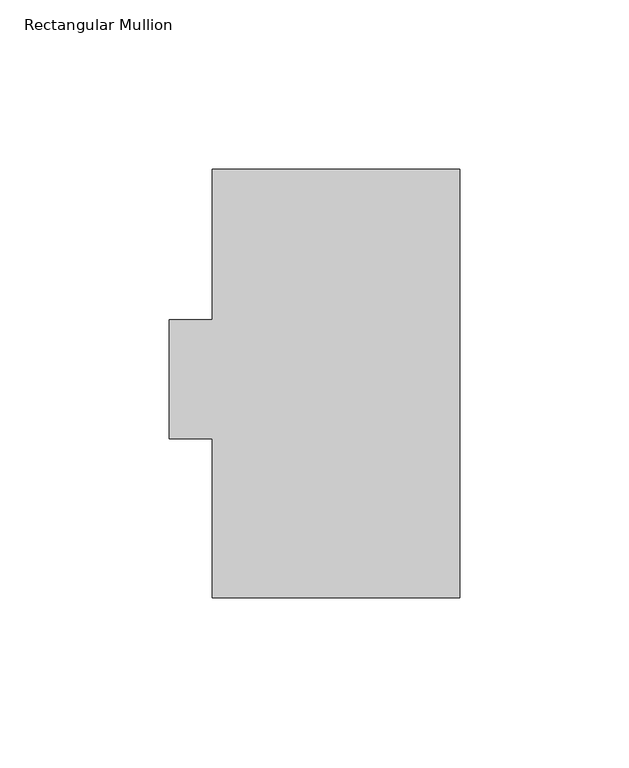
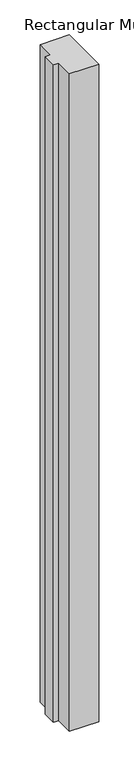
"""IFC4 building model written with IfcOpenShell, lengths in millimetres: member geometry, Rectangular Mullion."""

from ifc_helpers import new_model, si_unit, frame, origin, place, context, project, spatial, polyline, outline, extrude, source, transform, mapped, element, save


def rectangular_mullion_c5433d98(model_context):
    return source(origin(), model_context, "Body", "SweptSolid", [
        extrude(outline(polyline([(-73.025, 124.5750938), (0.0, 124.5750938), (0.0, -1.9169062), (-73.025, -1.9169062), (-73.025, 44.9460938), (-85.725, 44.9460938), (-85.725, 80.1250937), (-73.025, 80.1250937), (-73.025, 124.5750938)])), frame((0.0, 0.0, -1727.1997287), z_axis=(0.0, 0.0, 1.0), x_axis=(1.0, 0.0, 0.0)), (0.0, 0.0, 1.0), 1727.1997287),
    ])


if __name__ == "__main__":
    model = new_model("IFC4")
    model_context = context("Model", 3, world=origin())
    ifc_project = project(units=[si_unit("LENGTHUNIT", "METRE", prefix="MILLI")], contexts=[model_context])
    site = spatial("IfcSite", under=ifc_project)
    building = spatial("IfcBuilding", under=site)
    placement = place(None, origin())
    rectangular_mullion_shape = rectangular_mullion_c5433d98(model_context)
    element("IfcMember", 1, ObjectType="Rectangular Mullion", at=placement, inside=building, context=model_context, shape_type="MappedRepresentation", body=[
        mapped(rectangular_mullion_shape, transform((0.0, 0.0, 0.0), x_axis=(1.0, 0.0, 0.0), y_axis=(0.0, 1.0, 0.0), z_axis=(0.0, 0.0, 1.0))),
    ])
    save(model, "model.ifc")
